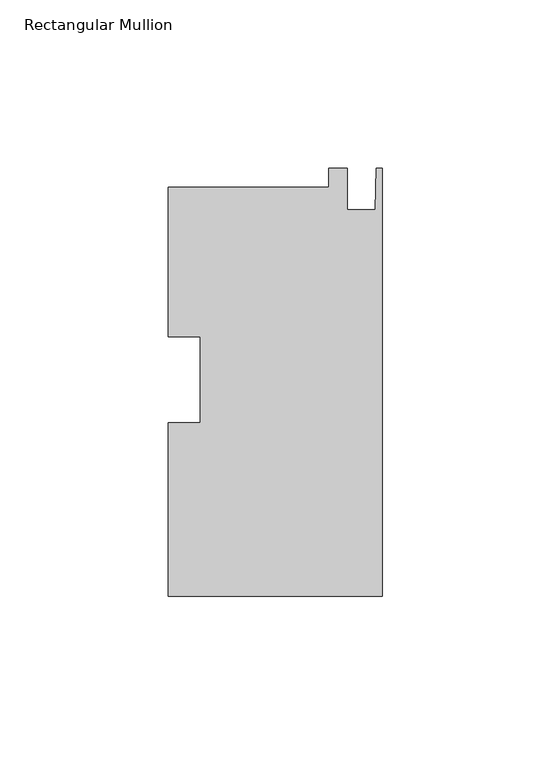
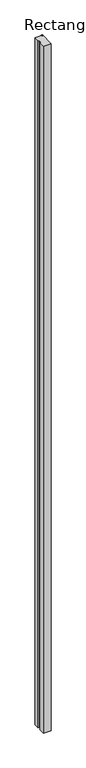
"""IFC4 building model written with IfcOpenShell, lengths in millimetres: member geometry, Rectangular Mullion."""

from ifc_helpers import new_model, si_unit, frame, origin, place, context, project, spatial, polyline, outline, extrude, source, transform, mapped, element, save


def rectangular_mullion_668bbbb6(model_context):
    return source(origin(), model_context, "Body", "SweptSolid", [
        extrude(outline(polyline([(0.0, -63.0532493), (-63.5, -63.0532493), (-63.5, -11.5207884), (-53.975, -11.5207884), (-53.975, 13.9669099), (-63.5, 13.9669099), (-63.5, 58.3841507), (-15.8694428, 58.3841507), (-15.8694428, 63.9467507), (-10.3124, 63.9467507), (-10.3124, 51.6023507), (-2.032, 51.6023507), (-1.778, 63.9467507), (0.0, 63.9467507), (0.0, -63.0532493)])), frame((0.0, 0.0, -6032.5), z_axis=(0.0, 0.0, 1.0), x_axis=(1.0, 0.0, 0.0)), (0.0, 0.0, 1.0), 6032.5),
    ])


if __name__ == "__main__":
    model = new_model("IFC4")
    model_context = context("Model", 3, world=origin())
    ifc_project = project(units=[si_unit("LENGTHUNIT", "METRE", prefix="MILLI")], contexts=[model_context])
    site = spatial("IfcSite", under=ifc_project)
    building = spatial("IfcBuilding", under=site)
    placement = place(None, origin())
    rectangular_mullion_shape = rectangular_mullion_668bbbb6(model_context)
    element("IfcMember", 1, ObjectType="Rectangular Mullion", at=placement, inside=building, context=model_context, shape_type="MappedRepresentation", body=[
        mapped(rectangular_mullion_shape, transform((0.0, 0.0, 0.0), x_axis=(1.0, 0.0, 0.0), y_axis=(0.0, 1.0, 0.0), z_axis=(0.0, 0.0, 1.0))),
    ])
    save(model, "model.ifc")
